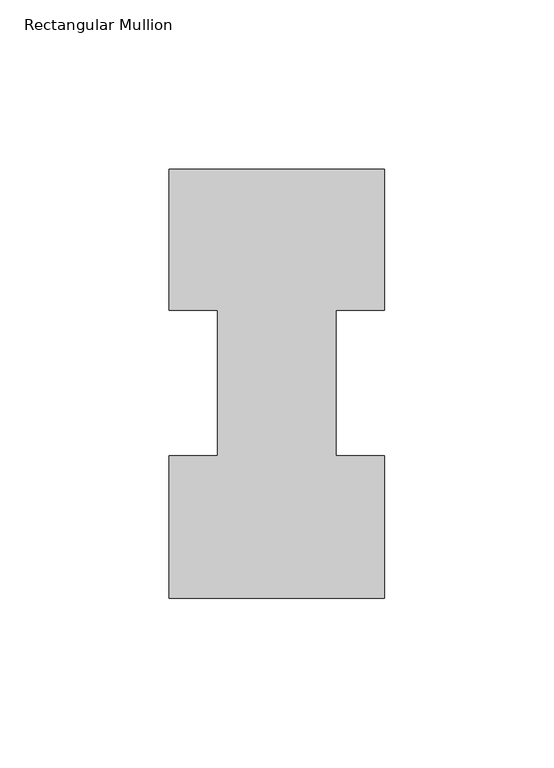
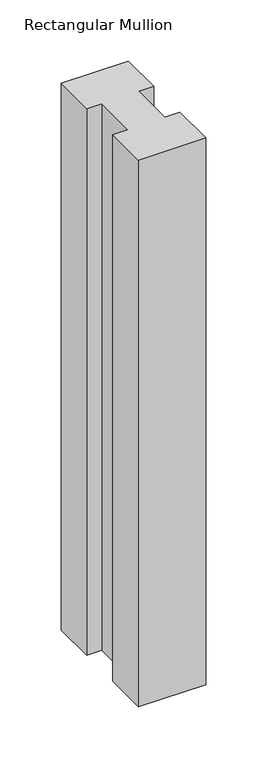
"""IFC4 building model written with IfcOpenShell, lengths in millimetres: member geometry, Rectangular Mullion."""

from ifc_helpers import new_model, si_unit, frame, origin, place, context, project, spatial, polyline, outline, extrude, source, transform, mapped, element, save


def rectangular_mullion_889c1e4e(model_context):
    return source(origin(), model_context, "Body", "SweptSolid", [
        extrude(outline(polyline([(0.0, 126.7348875), (0.0, 85.1296875), (-14.2748, 85.1296875), (-14.2748, 42.2798875), (0.0, 42.2798875), (0.0, 0.2428875), (-63.5, 0.2428875), (-63.5, 42.2798875), (-49.2125, 42.2798875), (-49.2125, 85.1296875), (-63.5, 85.1296875), (-63.5, 126.7348875), (0.0, 126.7348875)])), frame((0.0, 0.0, -546.1), z_axis=(0.0, 0.0, 1.0), x_axis=(1.0, 0.0, 0.0)), (0.0, 0.0, 1.0), 546.1),
    ])


if __name__ == "__main__":
    model = new_model("IFC4")
    model_context = context("Model", 3, world=origin())
    ifc_project = project(units=[si_unit("LENGTHUNIT", "METRE", prefix="MILLI")], contexts=[model_context])
    site = spatial("IfcSite", under=ifc_project)
    building = spatial("IfcBuilding", under=site)
    placement = place(None, origin())
    rectangular_mullion_shape = rectangular_mullion_889c1e4e(model_context)
    element("IfcMember", 1, ObjectType="Rectangular Mullion", at=placement, inside=building, context=model_context, shape_type="MappedRepresentation", body=[
        mapped(rectangular_mullion_shape, transform((0.0, 0.0, 0.0), x_axis=(1.0, 0.0, 0.0), y_axis=(0.0, 1.0, 0.0), z_axis=(0.0, 0.0, 1.0))),
    ])
    save(model, "model.ifc")
